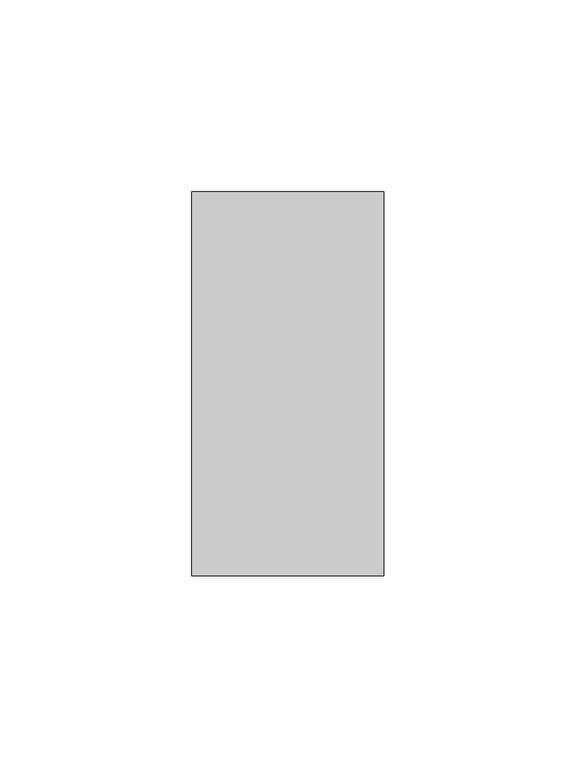
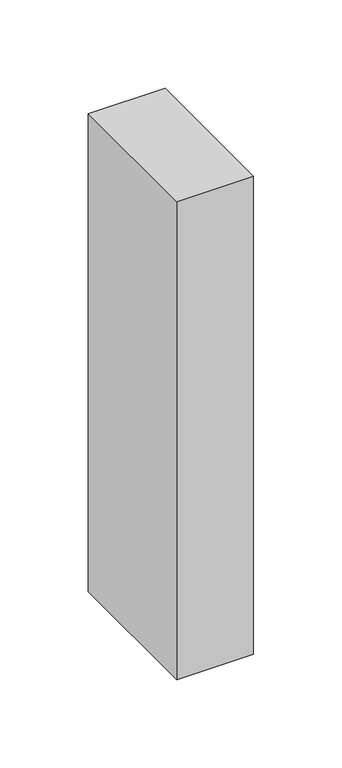
"""IFC4 building model written with IfcOpenShell, lengths in millimetres: member geometry."""

from ifc_helpers import new_model, si_unit, frame, origin, place, context, project, spatial, polyline, outline, extrude, source, transform, mapped, element, save


def member_1cc63c93(model_context):
    return source(origin(), model_context, "Body", "SweptSolid", [
        extrude(outline(polyline([(25.0, 50.0), (25.0, -50.0), (-25.0, -50.0), (-25.0, 50.0), (25.0, 50.0)])), frame((0.0, 0.0, -329.7826087), z_axis=(0.0, 0.0, 1.0), x_axis=(1.0, 0.0, 0.0)), (0.0, 0.0, 1.0), 329.7826087),
    ])


if __name__ == "__main__":
    model = new_model("IFC4")
    model_context = context("Model", 3, world=origin())
    ifc_project = project(units=[si_unit("LENGTHUNIT", "METRE", prefix="MILLI")], contexts=[model_context])
    site = spatial("IfcSite", under=ifc_project)
    building = spatial("IfcBuilding", under=site)
    placement = place(None, origin())
    member_shape = member_1cc63c93(model_context)
    element("IfcMember", 1, at=placement, inside=building, context=model_context, shape_type="MappedRepresentation", body=[
        mapped(member_shape, transform((0.0, 0.0, 0.0), x_axis=(1.0, 0.0, 0.0), y_axis=(0.0, 1.0, 0.0), z_axis=(0.0, 0.0, 1.0))),
    ])
    save(model, "model.ifc")
